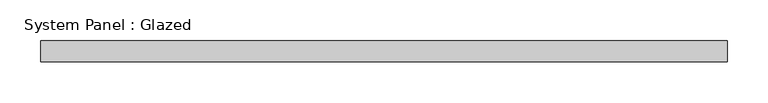
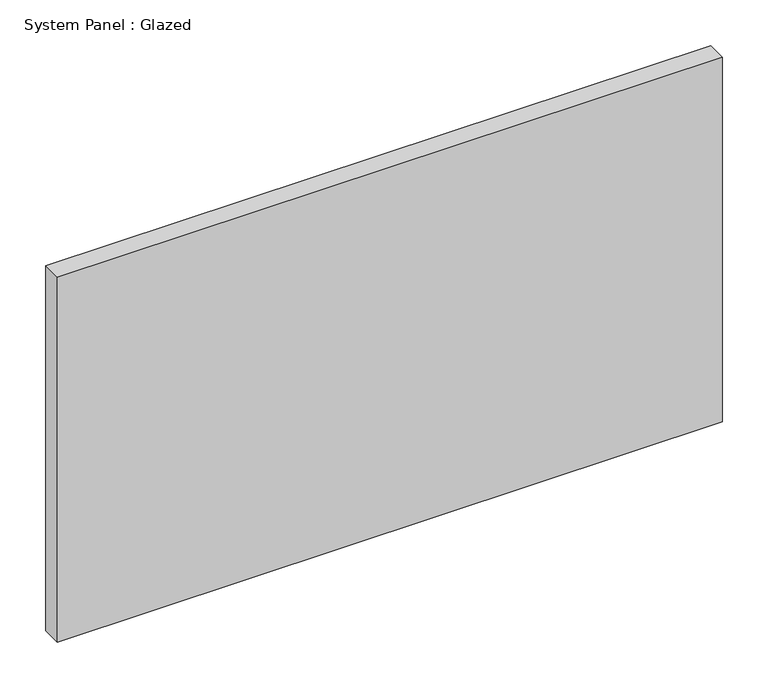
"""IFC4 building model written with IfcOpenShell, lengths in millimetres: plate geometry, System Panel : Glazed."""

from ifc_helpers import new_model, si_unit, origin, origin_with_axes, place, context, project, spatial, polyline, outline, extrude, source, transform, mapped, element, save


def system_panel_glazed_a1702602(model_context):
    return source(origin(), model_context, "Body", "SweptSolid", [
        extrude(outline(polyline([(420.0, 19.05), (-420.0, 19.05), (-420.0, 44.45), (420.0, 44.45), (420.0, 19.05)])), origin_with_axes(), (0.0, 0.0, 1.0), 487.04),
    ])


if __name__ == "__main__":
    model = new_model("IFC4")
    model_context = context("Model", 3, world=origin())
    ifc_project = project(units=[si_unit("LENGTHUNIT", "METRE", prefix="MILLI")], contexts=[model_context])
    site = spatial("IfcSite", under=ifc_project)
    building = spatial("IfcBuilding", under=site)
    placement = place(None, origin())
    system_panel_glazed_shape = system_panel_glazed_a1702602(model_context)
    element("IfcPlate", 1, ObjectType="System Panel : Glazed", at=placement, inside=building, context=model_context, shape_type="MappedRepresentation", body=[
        mapped(system_panel_glazed_shape, transform((0.0, 0.0, 0.0), x_axis=(1.0, 0.0, 0.0), y_axis=(0.0, 1.0, 0.0), z_axis=(0.0, 0.0, 1.0))),
    ])
    save(model, "model.ifc")
